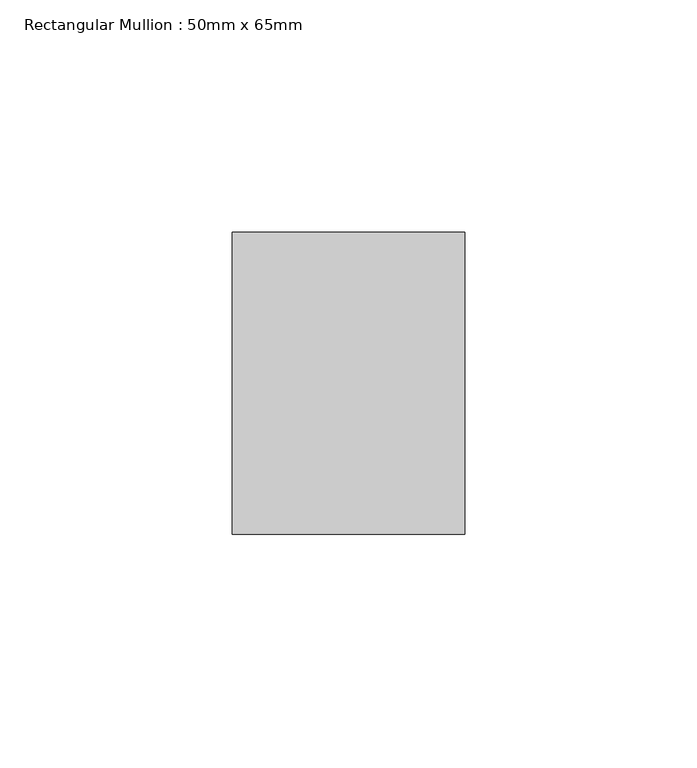
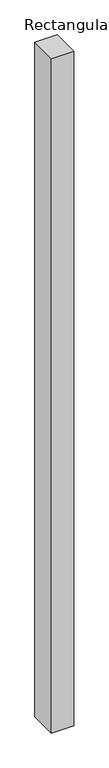
"""IFC4 building model written with IfcOpenShell, lengths in millimetres: member geometry, Rectangular Mullion : 50mm x 65mm."""

from ifc_helpers import new_model, si_unit, frame, origin, place, context, project, spatial, polyline, outline, extrude, source, transform, mapped, element, save


def rectangular_mullion_50mm_x_65mm_5ad2dd38(model_context):
    return source(origin(), model_context, "Body", "SweptSolid", [
        extrude(outline(polyline([(25.0, 32.5), (25.0, -32.5), (-25.0, -32.5), (-25.0, 32.5), (25.0, 32.5)])), frame((0.0, 0.0, -1612.9644398), z_axis=(0.0, 0.0, 1.0), x_axis=(1.0, 0.0, 0.0)), (0.0, 0.0, 1.0), 1612.9644398),
    ])


if __name__ == "__main__":
    model = new_model("IFC4")
    model_context = context("Model", 3, world=origin())
    ifc_project = project(units=[si_unit("LENGTHUNIT", "METRE", prefix="MILLI")], contexts=[model_context])
    site = spatial("IfcSite", under=ifc_project)
    building = spatial("IfcBuilding", under=site)
    placement = place(None, origin())
    rectangular_mullion_50mm_x_65mm_shape = rectangular_mullion_50mm_x_65mm_5ad2dd38(model_context)
    element("IfcMember", 1, ObjectType="Rectangular Mullion : 50mm x 65mm", at=placement, inside=building, context=model_context, shape_type="MappedRepresentation", body=[
        mapped(rectangular_mullion_50mm_x_65mm_shape, transform((0.0, 0.0, 0.0), x_axis=(1.0, 0.0, 0.0), y_axis=(0.0, 1.0, 0.0), z_axis=(0.0, 0.0, 1.0))),
    ])
    save(model, "model.ifc")
